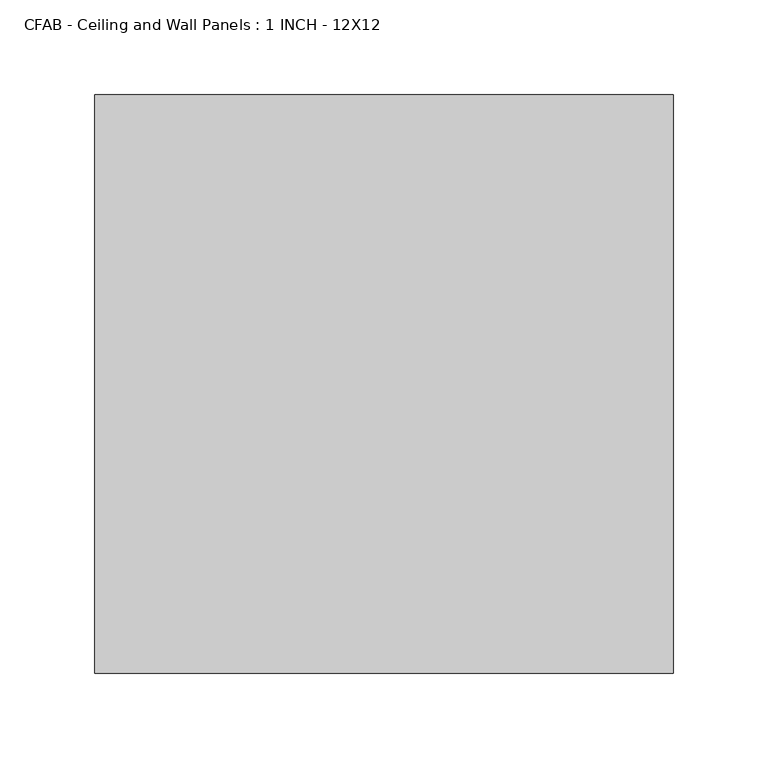
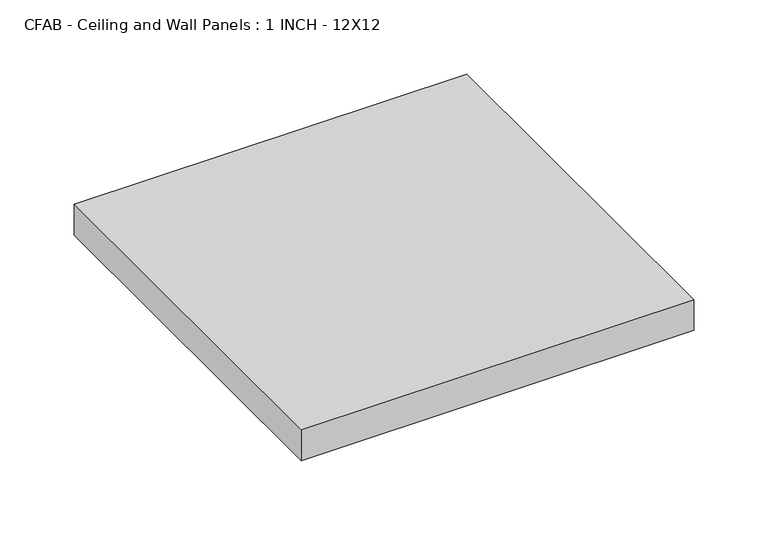
"""IFC4 building model written with IfcOpenShell, lengths in millimetres: proxy geometry, CFAB - Ceiling and Wall Panels : 1 INCH - 12X12."""

from ifc_helpers import new_model, si_unit, origin, origin_with_axes, place, context, project, spatial, polyline, outline, extrude, source, transform, mapped, element, save


def cfab_ceiling_and_wall_panels_1_inch_12x12_7850ce69(model_context):
    return source(origin(), model_context, "Body", "SweptSolid", [
        extrude(outline(polyline([(-152.4, 152.4), (152.4, 152.4), (152.4, -152.4), (-152.4, -152.4), (-152.4, 152.4)])), origin_with_axes(), (0.0, 0.0, 1.0), 25.4),
    ])


if __name__ == "__main__":
    model = new_model("IFC4")
    model_context = context("Model", 3, world=origin())
    ifc_project = project(units=[si_unit("LENGTHUNIT", "METRE", prefix="MILLI")], contexts=[model_context])
    site = spatial("IfcSite", under=ifc_project)
    building = spatial("IfcBuilding", under=site)
    placement = place(None, origin())
    cfab_ceiling_and_wall_panels_1_inch_12x12_shape = cfab_ceiling_and_wall_panels_1_inch_12x12_7850ce69(model_context)
    element("IfcBuildingElementProxy", 1, Name="CFAB - Ceiling and Wall Panels : 1 INCH - 12X12", ObjectType="CFAB - Ceiling and Wall Panels : 1 INCH - 12X12", at=placement, inside=building, context=model_context, shape_type="MappedRepresentation", body=[
        mapped(cfab_ceiling_and_wall_panels_1_inch_12x12_shape, transform((0.0, 0.0, 0.0), x_axis=(1.0, 0.0, 0.0), y_axis=(0.0, 1.0, 0.0), z_axis=(0.0, 0.0, 1.0))),
    ])
    save(model, "model.ifc")
